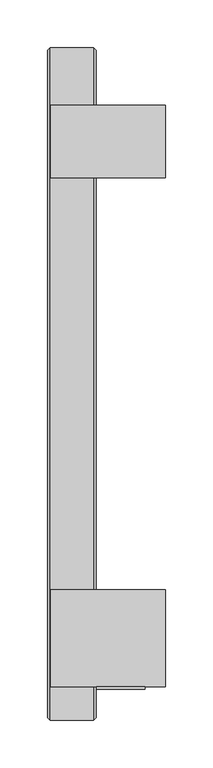
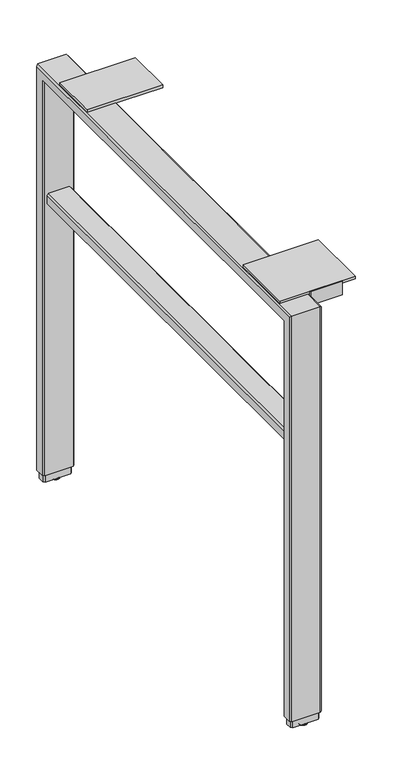
"""IFC4 building model written with IfcOpenShell, lengths in millimetres: furniture geometry."""

from ifc_helpers import new_model, si_unit, point, frame, origin, place, context, project, spatial, polyline, circle_curve, ellipse_curve, trimmed, outline, extrude, faceted_brep, source, transform, mapped, element, save
from ifc_brep_helpers import plane_surface, cylinder_surface, revolved_surface, advanced_brep


def furniture_563feb71(model_context):
    return source(origin(), model_context, "Body", "SolidModel", [
        faceted_brep([(-713.738802, -420.0847799, 16.51), (-711.1994, -422.6247775, 16.51), (-711.1994, -436.5947823, 16.51), (-713.738802, -439.1347799, 16.51), (-759.458801, -439.1347799, 16.51), (-761.998801, -436.5947823, 16.51), (-761.998801, -422.6247775, 16.51), (-759.458801, -420.0847799, 16.51), (-711.1994, -422.6247775, 686.1556198), (-711.1994, 249.5100177, 686.1556198), (-711.1994, 249.5100177, 16.51), (-711.1994, 263.4800225, 16.51), (-711.1994, 263.4800225, 700.1256246), (-711.1994, -436.5947823, 700.1256246), (-713.738802, -439.1347799, 702.6656222), (-759.458801, -439.1347799, 702.6656222), (-761.998801, -436.5947823, 700.1256246), (-761.998801, 263.4800225, 700.1256246), (-761.998801, 263.4800225, 16.51), (-761.998801, 249.5100177, 16.51), (-761.998801, 249.5100177, 686.1556198), (-761.998801, -422.6247775, 686.1556198), (-759.458801, -420.0847799, 683.6156222), (-713.738802, -420.0847799, 683.6156222), (-713.738802, 266.0200201, 702.6656222), (-759.458801, 266.0200201, 702.6656222), (-759.458801, 246.9700201, 683.6156222), (-713.738802, 246.9700201, 683.6156222), (-713.738802, 266.0200201, 16.51), (-759.458801, 266.0200201, 16.51), (-759.458801, 246.9700201, 16.51), (-713.738802, 246.9700201, 16.51)], [[[0, 1, 2, 3, 4, 5, 6, 7]], [[2, 1, 8, 9, 10, 11, 12, 13]], [[4, 3, 14, 15]], [[6, 5, 16, 17, 18, 19, 20, 21]], [[0, 7, 22, 23]], [[15, 14, 24, 25]], [[23, 22, 26, 27]], [[25, 24, 28, 29]], [[27, 26, 30, 31]], [[31, 30, 19, 18, 29, 28, 11, 10]], [[1, 0, 23, 8]], [[3, 2, 13, 14]], [[5, 4, 15, 16]], [[7, 6, 21, 22]], [[8, 23, 27, 9]], [[14, 13, 12, 24]], [[16, 15, 25, 17]], [[22, 21, 20, 26]], [[9, 27, 31, 10]], [[24, 12, 11, 28]], [[17, 25, 29, 18]], [[26, 20, 19, 30]]]),
        extrude(outline(polyline([(-406.4957799, 684.5046222), (-406.4957799, 707.0090222), (-404.2097799, 707.0090222), (-404.2097799, 688.8480222), (-383.1277799, 688.8480222), (-383.1277799, 684.5046222), (-406.4957799, 684.5046222)])), frame((-710.563801, 0.0, 0.0), z_axis=(1.0, 0.0, 0.0), x_axis=(0.0, 1.0, 0.0)), (0.0, 0.0, 1.0), 50.8),
        advanced_brep(
        [(-731.5193954, 256.4950201, 0.0), (-741.6793993, 256.4950201, 0.0), (-736.5993974, 256.4950201, 0.0), (-736.5993974, 256.4950201, 3.8100001), (-743.2220422, 256.4950201, 3.8100001), (-729.9767525, 256.4950201, 3.8100001), (-743.7113974, 256.4950201, 3.183654), (-729.4873973, 256.4950201, 3.183654), (-743.7113974, 256.4950201, 2.032), (-729.4873973, 256.4950201, 2.032)],
        [
            (0, 1, circle_curve(frame((-736.5993974, 256.4950201, 0.0), z_axis=(0.0, 0.0, -1.0), x_axis=(-1.0, 0.0, 0.0)), 5.080002)),
            (1, 2),
            (2, 0),
            (1, 0, circle_curve(frame((-736.5993974, 256.4950201, 0.0), z_axis=(0.0, 0.0, -1.0), x_axis=(-1.0, 0.0, 0.0)), 5.080002)),
            (3, 4),
            (4, 5, circle_curve(frame((-736.5993974, 256.4950201, 3.8100001), z_axis=(0.0, 0.0, 1.0), x_axis=(-1.0, 0.0, 0.0)), 6.6226448)),
            (5, 3),
            (5, 4, circle_curve(frame((-736.5993974, 256.4950201, 3.8100001), z_axis=(0.0, 0.0, 1.0), x_axis=(-1.0, 0.0, 0.0)), 6.6226448)),
            (4, 6),
            (6, 7, circle_curve(frame((-736.5993974, 256.4950201, 3.183654), z_axis=(0.0, 0.0, 1.0), x_axis=(-1.0, 0.0, 0.0)), 7.112)),
            (7, 5),
            (7, 6, circle_curve(frame((-736.5993974, 256.4950201, 3.183654), z_axis=(0.0, 0.0, 1.0), x_axis=(-1.0, 0.0, 0.0)), 7.112)),
            (6, 8),
            (8, 9, circle_curve(frame((-736.5993974, 256.4950201, 2.032), z_axis=(0.0, 0.0, 1.0), x_axis=(-1.0, 0.0, 0.0)), 7.112)),
            (9, 7),
            (9, 8, circle_curve(frame((-736.5993974, 256.4950201, 2.032), z_axis=(0.0, 0.0, 1.0), x_axis=(-1.0, 0.0, 0.0)), 7.112)),
            (8, 1, circle_curve(frame((-740.2425579, 256.4950201, 3.4688381), z_axis=(0.0, -1.0, 0.0), x_axis=(-1.0, 0.0, 0.0)), 3.7546439)),
            (0, 9, circle_curve(frame((-732.9562368, 256.4950201, 3.4688381), z_axis=(0.0, -1.0, 0.0), x_axis=(1.0, 0.0, 0.0)), 3.7546439)),
        ],
        [
            plane_surface(frame((-736.5993974, 256.4950201, 0.0), z_axis=(0.0, 0.0, -1.0), x_axis=(-1.0, 0.0, 0.0))),
            plane_surface(frame((-736.5993974, 256.4950201, 3.8100001), z_axis=(0.0, 0.0, 1.0), x_axis=(-1.0, 0.0, 0.0))),
            revolved_surface(polyline([(-743.7113974, 256.4950201, 3.183654), (-743.2220422, 256.4950201, 3.8100001)]), (-736.5993974, 256.4950201, -2.6032322), (0.0, 0.0, 1.0)),
            cylinder_surface(frame((-736.5993974, 256.4950201, -2.6032322), z_axis=(0.0, 0.0, 1.0), x_axis=(-1.0, 0.0, 0.0)), 7.112),
            revolved_surface(trimmed(ellipse_curve(frame((-740.2425579, 256.4950201, 3.4688381), z_axis=(0.0, 1.0, 0.0), x_axis=(-1.0, 0.0, 0.0)), 3.7546439, 3.7546439), [point((-741.6793993, 256.4950201, 0.0))], [point((-743.7113974, 256.4950201, 2.032))], True, "CARTESIAN"), (-736.5993974, 256.4950201, -2.6032322), (0.0, 0.0, 1.0)),
        ],
        [
            (0, [[1, 2, 3]]),
            (0, [[4, -3, -2]]),
            (1, [[5, 6, 7]]),
            (1, [[-7, 8, -5]]),
            (2, [[-6, 9, 10, 11]]),
            (2, [[-8, -11, 12, -9]]),
            (3, [[-10, 13, 14, 15]]),
            (3, [[-12, -15, 16, -13]]),
            (4, [[-14, 17, -1, 18]]),
            (4, [[-16, -18, -4, -17]]),
        ],
    ),
        extrude(outline(polyline([(-638.173801, -302.6097799), (-638.173801, -404.2097799), (-758.823801, -404.2097799), (-758.823801, -302.6097799), (-638.173801, -302.6097799)])), frame((0.0, 0.0, 702.6656222), z_axis=(0.0, 0.0, 1.0), x_axis=(1.0, 0.0, 0.0)), (0.0, 0.0, 1.0), 4.3434),
        extrude(outline(polyline([(-638.173801, 205.6950201), (-638.173801, 129.4950201), (-758.823801, 129.4950201), (-758.823801, 205.6950201), (-638.173801, 205.6950201)])), frame((0.0, 0.0, 702.6656222), z_axis=(0.0, 0.0, 1.0), x_axis=(1.0, 0.0, 0.0)), (0.0, 0.0, 1.0), 4.3434),
        extrude(outline(polyline([(476.5039908, -755.6487993), (473.9639932, -753.1088017), (473.9639932, -720.0887986), (476.5039908, -717.548801), (490.4739956, -717.548801), (493.0139932, -720.0887986), (493.0139932, -753.1087989), (490.4739928, -755.6487993), (476.5039908, -755.6487993)])), frame((0.0, -420.0847799, 0.0), z_axis=(0.0, 1.0, 0.0), x_axis=(0.0, 0.0, 1.0)), (0.0, 0.0, 1.0), 667.0548),
        advanced_brep(
        [(-731.5193954, -429.6097799, 0.0), (-741.6793993, -429.6097799, 0.0), (-736.5993974, -429.6097799, 0.0), (-736.5993974, -429.6097799, 3.8100001), (-743.2220422, -429.6097799, 3.8100001), (-729.9767525, -429.6097799, 3.8100001), (-743.7113974, -429.6097799, 3.183654), (-729.4873973, -429.6097799, 3.183654), (-743.7113974, -429.6097799, 2.032), (-729.4873973, -429.6097799, 2.032)],
        [
            (0, 1, circle_curve(frame((-736.5993974, -429.6097799, 0.0), z_axis=(0.0, 0.0, -1.0), x_axis=(-1.0, 0.0, 0.0)), 5.080002)),
            (1, 2),
            (2, 0),
            (1, 0, circle_curve(frame((-736.5993974, -429.6097799, 0.0), z_axis=(0.0, 0.0, -1.0), x_axis=(-1.0, 0.0, 0.0)), 5.080002)),
            (3, 4),
            (4, 5, circle_curve(frame((-736.5993974, -429.6097799, 3.8100001), z_axis=(0.0, 0.0, 1.0), x_axis=(-1.0, 0.0, 0.0)), 6.6226448)),
            (5, 3),
            (5, 4, circle_curve(frame((-736.5993974, -429.6097799, 3.8100001), z_axis=(0.0, 0.0, 1.0), x_axis=(-1.0, 0.0, 0.0)), 6.6226448)),
            (4, 6),
            (6, 7, circle_curve(frame((-736.5993974, -429.6097799, 3.183654), z_axis=(0.0, 0.0, 1.0), x_axis=(-1.0, 0.0, 0.0)), 7.112)),
            (7, 5),
            (7, 6, circle_curve(frame((-736.5993974, -429.6097799, 3.183654), z_axis=(0.0, 0.0, 1.0), x_axis=(-1.0, 0.0, 0.0)), 7.112)),
            (6, 8),
            (8, 9, circle_curve(frame((-736.5993974, -429.6097799, 2.032), z_axis=(0.0, 0.0, 1.0), x_axis=(-1.0, 0.0, 0.0)), 7.112)),
            (9, 7),
            (9, 8, circle_curve(frame((-736.5993974, -429.6097799, 2.032), z_axis=(0.0, 0.0, 1.0), x_axis=(-1.0, 0.0, 0.0)), 7.112)),
            (8, 1, circle_curve(frame((-740.2425579, -429.6097799, 3.4688381), z_axis=(0.0, -1.0, 0.0), x_axis=(-1.0, 0.0, 0.0)), 3.7546439)),
            (0, 9, circle_curve(frame((-732.9562368, -429.6097799, 3.4688381), z_axis=(0.0, -1.0, 0.0), x_axis=(1.0, 0.0, 0.0)), 3.7546439)),
        ],
        [
            plane_surface(frame((-736.5993974, -429.6097799, 0.0), z_axis=(0.0, 0.0, -1.0), x_axis=(-1.0, 0.0, 0.0))),
            plane_surface(frame((-736.5993974, -429.6097799, 3.8100001), z_axis=(0.0, 0.0, 1.0), x_axis=(-1.0, 0.0, 0.0))),
            revolved_surface(polyline([(-743.7113974, -429.6097799, 3.183654), (-743.2220422, -429.6097799, 3.8100001)]), (-736.5993974, -429.6097799, -2.6032322), (0.0, 0.0, 1.0)),
            cylinder_surface(frame((-736.5993974, -429.6097799, -2.6032322), z_axis=(0.0, 0.0, 1.0), x_axis=(-1.0, 0.0, 0.0)), 7.112),
            revolved_surface(trimmed(ellipse_curve(frame((-740.2425579, -429.6097799, 3.4688381), z_axis=(0.0, 1.0, 0.0), x_axis=(-1.0, 0.0, 0.0)), 3.7546439, 3.7546439), [point((-741.6793993, -429.6097799, 0.0))], [point((-743.7113974, -429.6097799, 2.032))], True, "CARTESIAN"), (-736.5993974, -429.6097799, -2.6032322), (0.0, 0.0, 1.0)),
        ],
        [
            (0, [[1, 2, 3]]),
            (0, [[4, -3, -2]]),
            (1, [[5, 6, 7]]),
            (1, [[-7, 8, -5]]),
            (2, [[-6, 9, 10, 11]]),
            (2, [[-8, -11, 12, -9]]),
            (3, [[-10, 13, 14, 15]]),
            (3, [[-12, -15, 16, -13]]),
            (4, [[-14, 17, -1, 18]]),
            (4, [[-16, -18, -4, -17]]),
        ],
    ),
        extrude(outline(polyline([(-757.0458011, -422.4977867), (-716.1523987, -422.4977867), (-713.6118022, -425.0377843), (-713.6118022, -434.1817756), (-716.1523987, -436.7217731), (-757.0458011, -436.7217731), (-759.5858009, -434.1817756), (-759.5858009, -425.0377843), (-757.0458011, -422.4977867)])), frame((0.0, 0.0, 3.8100001), z_axis=(0.0, 0.0, 1.0), x_axis=(1.0, 0.0, 0.0)), (0.0, 0.0, 1.0), 12.6999999),
        extrude(outline(polyline([(-757.0458011, 263.6070201), (-716.1523987, 263.6070201), (-713.6118022, 261.0670225), (-713.6118022, 251.9230312), (-716.1523987, 249.3830336), (-757.0458011, 249.3830336), (-759.5858009, 251.9230312), (-759.5858009, 261.0670225), (-757.0458011, 263.6070201)])), frame((0.0, 0.0, 3.8100001), z_axis=(0.0, 0.0, 1.0), x_axis=(1.0, 0.0, 0.0)), (0.0, 0.0, 1.0), 12.6999999),
    ])


if __name__ == "__main__":
    model = new_model("IFC4")
    model_context = context("Model", 3, world=origin())
    ifc_project = project(units=[si_unit("LENGTHUNIT", "METRE", prefix="MILLI")], contexts=[model_context])
    site = spatial("IfcSite", under=ifc_project)
    building = spatial("IfcBuilding", under=site)
    placement = place(None, origin())
    furniture_shape = furniture_563feb71(model_context)
    element("IfcFurniture", 1, at=placement, inside=building, context=model_context, shape_type="MappedRepresentation", body=[
        mapped(furniture_shape, transform((0.0, 0.0, 0.0), x_axis=(1.0, 0.0, 0.0), y_axis=(0.0, 1.0, 0.0), z_axis=(0.0, 0.0, 1.0))),
    ])
    save(model, "model.ifc")
